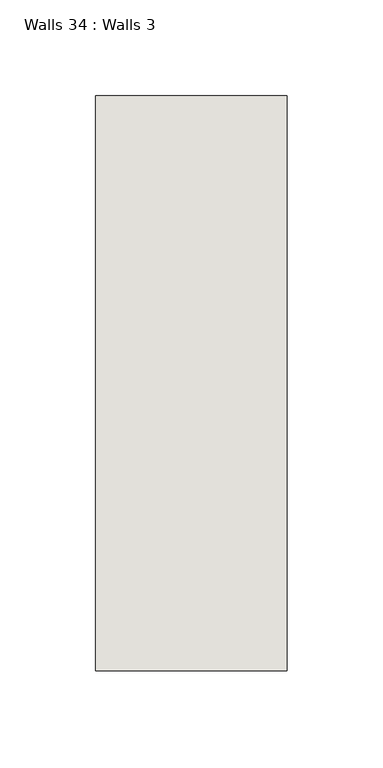
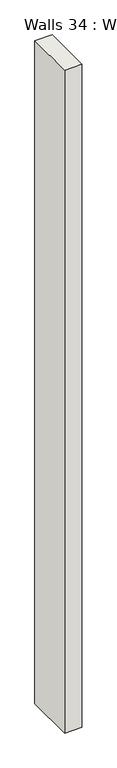
"""IFC4 building model written with IfcOpenShell, lengths in millimetres: wall geometry, Walls 34 : Walls 3."""

from ifc_helpers import new_model, si_unit, origin, origin_with_axes, place, context, project, spatial, polyline, outline, extrude, source, transform, mapped, element, save


def walls_34_walls_3_1596480c(model_context):
    return source(origin(), model_context, "Body", "SweptSolid", [
        extrude(outline(polyline([(-2412.3812655, 1518.41264), (-2412.3812655, 1818.41264), (-2312.3812655, 1818.41264), (-2312.3812655, 1518.41264), (-2412.3812655, 1518.41264)])), origin_with_axes(), (0.0, 0.0, 1.0), 4085.1192828),
    ])


if __name__ == "__main__":
    model = new_model("IFC4")
    model_context = context("Model", 3, world=origin())
    ifc_project = project(units=[si_unit("LENGTHUNIT", "METRE", prefix="MILLI")], contexts=[model_context])
    site = spatial("IfcSite", under=ifc_project)
    building = spatial("IfcBuilding", under=site)
    placement = place(None, origin())
    walls_34_walls_3_shape = walls_34_walls_3_1596480c(model_context)
    element("IfcWall", 1, ObjectType="Walls 34 : Walls 3", at=placement, inside=building, context=model_context, shape_type="MappedRepresentation", body=[
        mapped(walls_34_walls_3_shape, transform((0.0, 0.0, 0.0), x_axis=(1.0, 0.0, 0.0), y_axis=(0.0, 1.0, 0.0), z_axis=(0.0, 0.0, 1.0))),
    ])
    save(model, "model.ifc")
